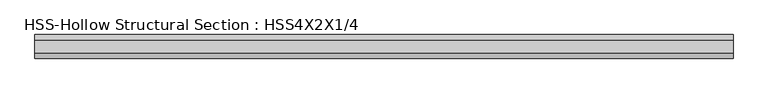
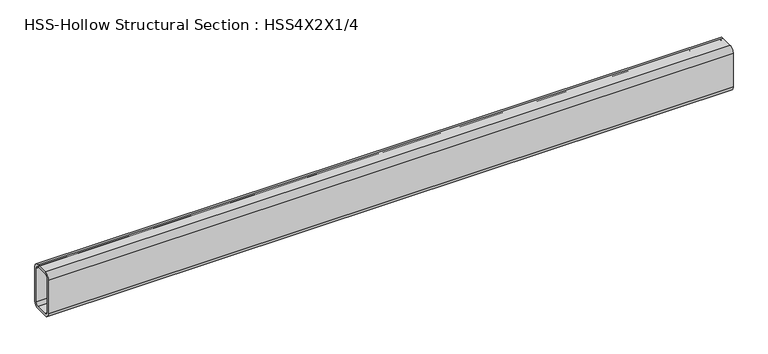
"""IFC4 building model written with IfcOpenShell, lengths in millimetres: beam geometry, HSS-Hollow Structural Section : HSS4X2X1/4."""

from ifc_helpers import new_model, si_unit, point, frame, frame_2d, origin, place, context, project, spatial, polyline, circle_curve, trimmed, segment, composite_curve, outline, extrude, source, transform, mapped, element, save


def hss_hollow_structural_section_hss4x2x1_4_b7780c18(model_context):
    return source(origin(), model_context, "Body", "SweptSolid", [
        extrude(outline(composite_curve([segment(polyline([(25.4, 38.9636), (25.4, -38.9636)]), True, "CONTINUOUS"), segment(trimmed(circle_curve(frame_2d((13.5636, -38.9636)), 11.8364), [point((25.4, -38.9636))], [point((13.5636, -50.8))], False, "CARTESIAN"), True, "CONTINUOUS"), segment(polyline([(13.5636, -50.8), (-13.5636, -50.8)]), True, "CONTINUOUS"), segment(trimmed(circle_curve(frame_2d((-13.5636, -38.9636)), 11.8364), [point((-13.5636, -50.8))], [point((-25.4, -38.9636))], False, "CARTESIAN"), True, "CONTINUOUS"), segment(polyline([(-25.4, -38.9636), (-25.4, 38.9636)]), True, "CONTINUOUS"), segment(trimmed(circle_curve(frame_2d((-13.5636, 38.9636)), 11.8364), [point((-25.4, 38.9636))], [point((-13.5636, 50.8))], False, "CARTESIAN"), True, "CONTINUOUS"), segment(polyline([(-13.5636, 50.8), (13.5636, 50.8)]), True, "CONTINUOUS"), segment(trimmed(circle_curve(frame_2d((13.5636, 38.9636)), 11.8364), [point((13.5636, 50.8))], [point((25.4, 38.9636))], False, "CARTESIAN"), True, "CONTINUOUS")], self_intersect=False), holes=[composite_curve([segment(trimmed(circle_curve(frame_2d((-13.5636, 38.9636)), 5.9182), [point((-13.5636, 44.8818))], [point((-19.4818, 38.9636))], True, "CARTESIAN"), True, "CONTINUOUS"), segment(polyline([(-19.4818, 38.9636), (-19.4818, -38.9636)]), True, "CONTINUOUS"), segment(trimmed(circle_curve(frame_2d((-13.5636, -38.9636)), 5.9182), [point((-19.4818, -38.9636))], [point((-13.5636, -44.8818))], True, "CARTESIAN"), True, "CONTINUOUS"), segment(polyline([(-13.5636, -44.8818), (13.5636, -44.8818)]), True, "CONTINUOUS"), segment(trimmed(circle_curve(frame_2d((13.5636, -38.9636)), 5.9182), [point((13.5636, -44.8818))], [point((19.4818, -38.9636))], True, "CARTESIAN"), True, "CONTINUOUS"), segment(polyline([(19.4818, -38.9636), (19.4818, 38.9636)]), True, "CONTINUOUS"), segment(trimmed(circle_curve(frame_2d((13.5636, 38.9636)), 5.9182), [point((19.4818, 38.9636))], [point((13.5636, 44.8818))], True, "CARTESIAN"), True, "CONTINUOUS"), segment(polyline([(13.5636, 44.8818), (-13.5636, 44.8818)]), True, "CONTINUOUS")], self_intersect=False)]), frame((-750.443, 0.0, 0.0), z_axis=(1.0, 0.0, 0.0), x_axis=(0.0, 1.0, 0.0)), (0.0, 0.0, 1.0), 1500.886),
    ])


if __name__ == "__main__":
    model = new_model("IFC4")
    model_context = context("Model", 3, world=origin())
    ifc_project = project(units=[si_unit("LENGTHUNIT", "METRE", prefix="MILLI")], contexts=[model_context])
    site = spatial("IfcSite", under=ifc_project)
    building = spatial("IfcBuilding", under=site)
    placement = place(None, origin())
    hss_hollow_structural_section_hss4x2x1_4_shape = hss_hollow_structural_section_hss4x2x1_4_b7780c18(model_context)
    element("IfcBeam", 1, ObjectType="HSS-Hollow Structural Section : HSS4X2X1/4", at=placement, inside=building, context=model_context, shape_type="MappedRepresentation", body=[
        mapped(hss_hollow_structural_section_hss4x2x1_4_shape, transform((0.0, 0.0, 0.0), x_axis=(1.0, 0.0, 0.0), y_axis=(0.0, 1.0, 0.0), z_axis=(0.0, 0.0, 1.0))),
    ])
    save(model, "model.ifc")
